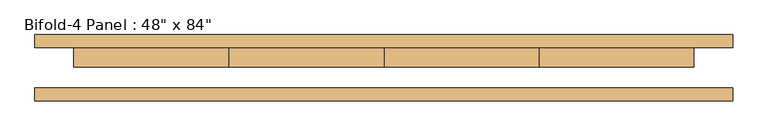
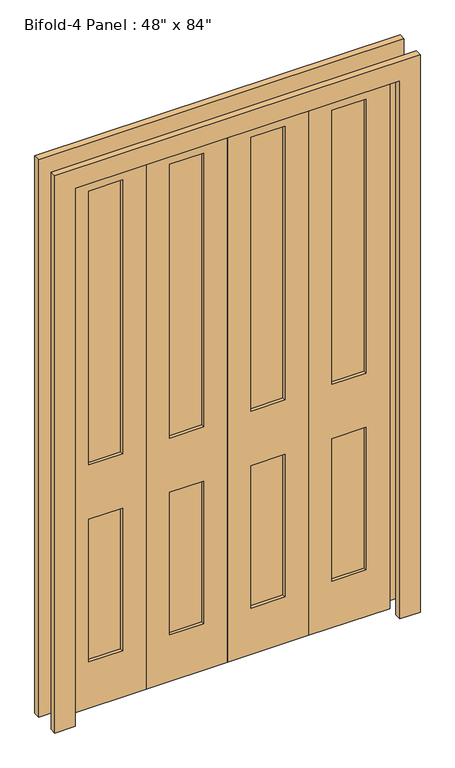
"""IFC4 building model written with IfcOpenShell, lengths in millimetres: door geometry."""

from ifc_helpers import new_model, si_unit, frame, origin, place, context, project, spatial, polyline, outline, extrude, source, transform, mapped, element, save


def door_03adbdca(model_context):
    return source(origin(), model_context, "Body", "SweptSolid", [
        extrude(outline(polyline([(393.7, 26.9875), (520.7, 26.9875), (520.7, 14.2875), (393.7, 14.2875), (393.7, 26.9875)])), frame((0.0, 0.0, 965.2), z_axis=(0.0, 0.0, 1.0), x_axis=(1.0, 0.0, 0.0)), (0.0, 0.0, 1.0), 1085.85),
        extrude(outline(polyline([(393.7, 26.9875), (520.7, 26.9875), (520.7, 14.2875), (393.7, 14.2875), (393.7, 26.9875)])), frame((0.0, 0.0, 184.15), z_axis=(0.0, 0.0, 1.0), x_axis=(1.0, 0.0, 0.0)), (0.0, 0.0, 1.0), 565.15),
        extrude(outline(polyline([(88.9, 26.9875), (215.9, 26.9875), (215.9, 14.2875), (88.9, 14.2875), (88.9, 26.9875)])), frame((0.0, 0.0, 965.2), z_axis=(0.0, 0.0, 1.0), x_axis=(1.0, 0.0, 0.0)), (0.0, 0.0, 1.0), 1085.85),
        extrude(outline(polyline([(88.9, 26.9875), (215.9, 26.9875), (215.9, 14.2875), (88.9, 14.2875), (88.9, 26.9875)])), frame((0.0, 0.0, 184.15), z_axis=(0.0, 0.0, 1.0), x_axis=(1.0, 0.0, 0.0)), (0.0, 0.0, 1.0), 565.15),
        extrude(outline(polyline([(-215.9, 26.9875), (-88.9, 26.9875), (-88.9, 14.2875), (-215.9, 14.2875), (-215.9, 26.9875)])), frame((0.0, 0.0, 184.15), z_axis=(0.0, 0.0, 1.0), x_axis=(1.0, 0.0, 0.0)), (0.0, 0.0, 1.0), 565.15),
        extrude(outline(polyline([(-215.9, 26.9875), (-88.9, 26.9875), (-88.9, 14.2875), (-215.9, 14.2875), (-215.9, 26.9875)])), frame((0.0, 0.0, 965.2), z_axis=(0.0, 0.0, 1.0), x_axis=(1.0, 0.0, 0.0)), (0.0, 0.0, 1.0), 1085.85),
        extrude(outline(polyline([(-520.7, 26.9875), (-393.7, 26.9875), (-393.7, 14.2875), (-520.7, 14.2875), (-520.7, 26.9875)])), frame((0.0, 0.0, 965.2), z_axis=(0.0, 0.0, 1.0), x_axis=(1.0, 0.0, 0.0)), (0.0, 0.0, 1.0), 1085.85),
        extrude(outline(polyline([(-520.7, 26.9875), (-393.7, 26.9875), (-393.7, 14.2875), (-520.7, 14.2875), (-520.7, 26.9875)])), frame((0.0, 0.0, 184.15), z_axis=(0.0, 0.0, 1.0), x_axis=(1.0, 0.0, 0.0)), (0.0, 0.0, 1.0), 565.15),
        extrude(outline(polyline([(0.0, 685.8), (2209.8, 685.8), (2209.8, -685.8), (0.0, -685.8), (0.0, -609.6), (2133.6, -609.6), (2133.6, 609.6), (0.0, 609.6), (0.0, 685.8)])), frame((0.0, -65.0875, 0.0), z_axis=(0.0, 1.0, 0.0), x_axis=(0.0, 0.0, 1.0)), (0.0, 0.0, 1.0), 25.4),
        extrude(outline(polyline([(0.0, 685.8), (2209.8, 685.8), (2209.8, -685.8), (0.0, -685.8), (0.0, -609.6), (2133.6, -609.6), (2133.6, 609.6), (0.0, 609.6), (0.0, 685.8)])), frame((0.0, 39.6875, 0.0), z_axis=(0.0, 1.0, 0.0), x_axis=(0.0, 0.0, 1.0)), (0.0, 0.0, 1.0), 25.4),
        extrude(outline(polyline([(0.0, -609.6), (0.0, -304.8), (2133.6, -304.8), (2133.6, -609.6), (0.0, -609.6)]), holes=[polyline([(2051.05, -520.7), (2051.05, -393.7), (965.2, -393.7), (965.2, -520.7), (2051.05, -520.7)]), polyline([(749.3, -520.7), (749.3, -393.7), (184.15, -393.7), (184.15, -520.7), (749.3, -520.7)])]), frame((0.0, 1.5875, 0.0), z_axis=(0.0, 1.0, 0.0), x_axis=(0.0, 0.0, 1.0)), (0.0, 0.0, 1.0), 38.1),
        extrude(outline(polyline([(0.0, -304.8), (0.0, 0.0), (2133.6, 0.0), (2133.6, -304.8), (0.0, -304.8)]), holes=[polyline([(2051.05, -215.9), (2051.05, -88.9), (965.2, -88.9), (965.2, -215.9), (2051.05, -215.9)]), polyline([(749.3, -215.9), (749.3, -88.9), (184.15, -88.9), (184.15, -215.9), (749.3, -215.9)])]), frame((0.0, 1.5875, 0.0), z_axis=(0.0, 1.0, 0.0), x_axis=(0.0, 0.0, 1.0)), (0.0, 0.0, 1.0), 38.1),
        extrude(outline(polyline([(0.0, 0.0), (0.0, 304.8), (2133.6, 304.8), (2133.6, 0.0), (0.0, 0.0)]), holes=[polyline([(2051.05, 88.9), (2051.05, 215.9), (965.2, 215.9), (965.2, 88.9), (2051.05, 88.9)]), polyline([(749.3, 88.9), (749.3, 215.9), (184.15, 215.9), (184.15, 88.9), (749.3, 88.9)])]), frame((0.0, 1.5875, 0.0), z_axis=(0.0, 1.0, 0.0), x_axis=(0.0, 0.0, 1.0)), (0.0, 0.0, 1.0), 38.1),
        extrude(outline(polyline([(0.0, 304.8), (0.0, 609.6), (2133.6, 609.6), (2133.6, 304.8), (0.0, 304.8)]), holes=[polyline([(2051.05, 393.7), (2051.05, 520.7), (965.2, 520.7), (965.2, 393.7), (2051.05, 393.7)]), polyline([(749.3, 393.7), (749.3, 520.7), (184.15, 520.7), (184.15, 393.7), (749.3, 393.7)])]), frame((0.0, 1.5875, 0.0), z_axis=(0.0, 1.0, 0.0), x_axis=(0.0, 0.0, 1.0)), (0.0, 0.0, 1.0), 38.1),
    ])


if __name__ == "__main__":
    model = new_model("IFC4")
    model_context = context("Model", 3, world=origin())
    ifc_project = project(units=[si_unit("LENGTHUNIT", "METRE", prefix="MILLI")], contexts=[model_context])
    site = spatial("IfcSite", under=ifc_project)
    building = spatial("IfcBuilding", under=site)
    placement = place(None, origin())
    door_shape = door_03adbdca(model_context)
    element("IfcDoor", 1, ObjectType="Bifold-4 Panel : 48\" x 84\"", at=placement, inside=building, context=model_context, shape_type="MappedRepresentation", body=[
        mapped(door_shape, transform((0.0, 0.0, 0.0), x_axis=(1.0, 0.0, 0.0), y_axis=(0.0, 1.0, 0.0), z_axis=(0.0, 0.0, 1.0))),
    ])
    save(model, "model.ifc")
